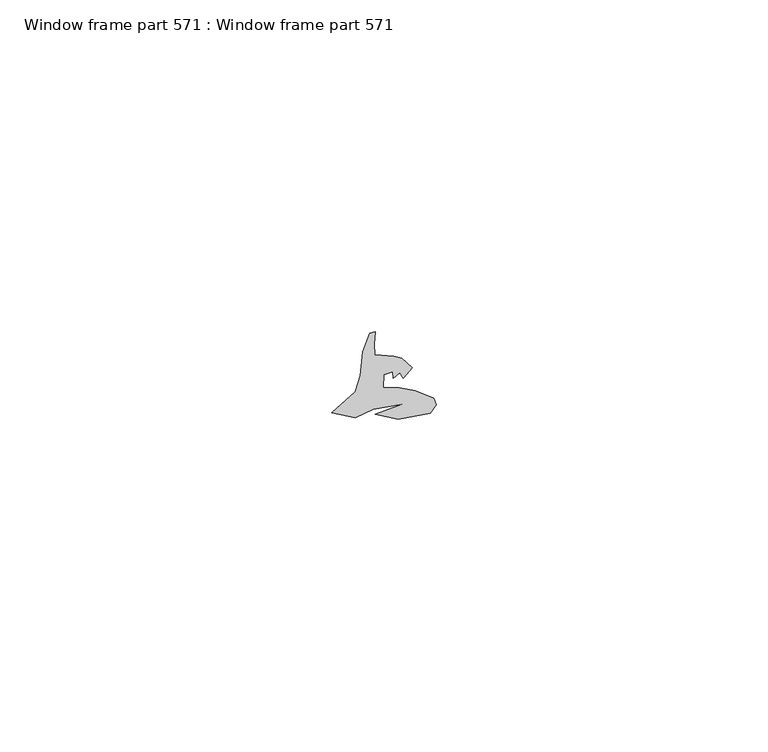
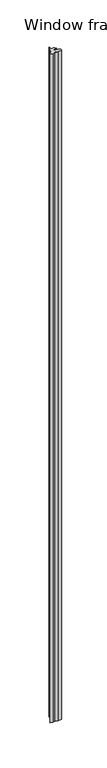
"""IFC4 building model written with IfcOpenShell, lengths in millimetres: proxy geometry, Window frame part 571 : Window frame part 571."""

from ifc_helpers import new_model, si_unit, frame, origin, place, context, project, spatial, polyline, outline, extrude, source, transform, mapped, element, save


def window_frame_part_571_window_frame_part_571_3a41fed8(model_context):
    return source(origin(), model_context, "Body", "SweptSolid", [
        extrude(outline(polyline([(34512.7031001, -15461.5299991), (34512.7753181, -15463.0813069), (34515.6151242, -15463.3617397), (34516.8442672, -15463.6504943), (34518.4432679, -15465.1075967), (34517.0546941, -15466.6313951), (34516.524661, -15465.8083157), (34515.5677696, -15466.6438371), (34515.4770042, -15465.6495169), (34514.0973318, -15466.1611794), (34514.0353288, -15468.023155), (34516.4648336, -15468.1040565), (34518.883936, -15468.5399278), (34521.6976958, -15469.6436949), (34522.0729949, -15470.642544), (34521.1314378, -15471.9150438), (34516.3073689, -15472.8327862), (34512.8683469, -15472.0791403), (34516.9403623, -15470.5797838), (34512.5021491, -15471.3119603), (34509.8064777, -15472.6163093), (34506.2482012, -15471.8788717), (34509.8401961, -15468.6769045), (34510.5576587, -15466.3165264), (34510.9246703, -15462.6723333), (34512.0469136, -15459.8444331), (34512.8426495, -15459.6144887), (34512.7031001, -15461.5299991)])), frame((0.0, 0.0, 1597.975708), z_axis=(0.0, 0.0, 1.0), x_axis=(1.0, 0.0, 0.0)), (0.0, 0.0, 1.0), 914.4),
    ])


if __name__ == "__main__":
    model = new_model("IFC4")
    model_context = context("Model", 3, world=origin())
    ifc_project = project(units=[si_unit("LENGTHUNIT", "METRE", prefix="MILLI")], contexts=[model_context])
    site = spatial("IfcSite", under=ifc_project)
    building = spatial("IfcBuilding", under=site)
    placement = place(None, origin())
    window_frame_part_571_window_frame_part_571_shape = window_frame_part_571_window_frame_part_571_3a41fed8(model_context)
    element("IfcBuildingElementProxy", 1, Name="Window frame part 571 : Window frame part 571", ObjectType="Window frame part 571 : Window frame part 571", at=placement, inside=building, context=model_context, shape_type="MappedRepresentation", body=[
        mapped(window_frame_part_571_window_frame_part_571_shape, transform((0.0, 0.0, 0.0), x_axis=(1.0, 0.0, 0.0), y_axis=(0.0, 1.0, 0.0), z_axis=(0.0, 0.0, 1.0))),
    ])
    save(model, "model.ifc")
